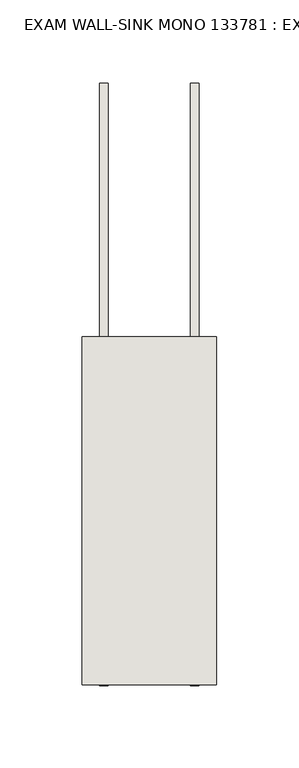
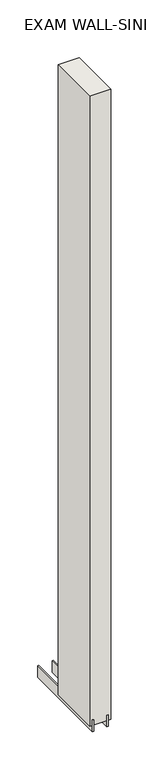
"""IFC4 building model written with IfcOpenShell, lengths in millimetres: wall geometry, EXAM WALL-SINK MONO 133781 : EXAM WALL-SINK MONO 133781."""

from ifc_helpers import new_model, si_unit, frame, origin, place, context, project, spatial, polyline, outline, extrude, source, transform, mapped, element, save


def exam_wall_sink_mono_133781_exam_wall_sink_mono_133781_f34c0f93(model_context):
    return source(origin(), model_context, "Body", "SweptSolid", [
        extrude(outline(polyline([(72290.342211, -45369.5457352), (72290.342211, -45367.0057352), (72292.882211, -45367.0057352), (72292.882211, -45369.5457352), (72290.342211, -45369.5457352)])), frame((0.0, 0.0, 4419.6), z_axis=(0.0, 0.0, 1.0), x_axis=(1.0, 0.0, 0.0)), (0.0, 0.0, 1.0), 2.54),
        extrude(outline(polyline([(72316.6959556, -45578.1419906), (72316.6959556, -45213.0169906), (72321.774711, -45213.0169906), (72321.774711, -45578.1419906), (72316.6959556, -45578.1419906)])), frame((0.0, 0.0, 4418.6602), z_axis=(0.0, 0.0, 1.0), x_axis=(1.0, 0.0, 0.0)), (0.0, 0.0, 1.0), 47.625),
        extrude(outline(polyline([(72316.6959556, -45578.1419906), (72316.6959556, -45213.0169906), (72321.774711, -45213.0169906), (72321.774711, -45578.1419906), (72316.6959556, -45578.1419906)])), frame((0.0, 0.0, 4418.6602), z_axis=(0.0, 0.0, 1.0), x_axis=(1.0, 0.0, 0.0)), (0.0, 0.0, 1.0), 47.625),
        extrude(outline(polyline([(72266.5284664, -45213.0169906), (72266.5284664, -45578.1419906), (72261.449711, -45578.1419906), (72261.449711, -45213.0169906), (72266.5284664, -45213.0169906)])), frame((0.0, 0.0, 4418.6602), z_axis=(0.0, 0.0, 1.0), x_axis=(1.0, 0.0, 0.0)), (0.0, 0.0, 1.0), 47.625),
        extrude(outline(polyline([(72266.5284664, -45213.0169906), (72266.5284664, -45578.1419906), (72261.449711, -45578.1419906), (72261.449711, -45213.0169906), (72266.5284664, -45213.0169906)])), frame((0.0, 0.0, 4418.6602), z_axis=(0.0, 0.0, 1.0), x_axis=(1.0, 0.0, 0.0)), (0.0, 0.0, 1.0), 47.625),
        extrude(outline(polyline([(72332.2670954, -45578.1419906), (72250.9573266, -45578.1419906), (72250.9573266, -45367.0168858), (72332.2670954, -45367.0168858), (72332.2670954, -45578.1419906)])), frame((0.0, 0.0, 4445.0), z_axis=(0.0, 0.0, 1.0), x_axis=(1.0, 0.0, 0.0)), (0.0, 0.0, 1.0), 2562.4536762),
    ])


if __name__ == "__main__":
    model = new_model("IFC4")
    model_context = context("Model", 3, world=origin())
    ifc_project = project(units=[si_unit("LENGTHUNIT", "METRE", prefix="MILLI")], contexts=[model_context])
    site = spatial("IfcSite", under=ifc_project)
    building = spatial("IfcBuilding", under=site)
    placement = place(None, origin())
    exam_wall_sink_mono_133781_exam_wall_sink_mono_133781_shape = exam_wall_sink_mono_133781_exam_wall_sink_mono_133781_f34c0f93(model_context)
    element("IfcWall", 1, ObjectType="EXAM WALL-SINK MONO 133781 : EXAM WALL-SINK MONO 133781", at=placement, inside=building, context=model_context, shape_type="MappedRepresentation", body=[
        mapped(exam_wall_sink_mono_133781_exam_wall_sink_mono_133781_shape, transform((0.0, 0.0, 0.0), x_axis=(1.0, 0.0, 0.0), y_axis=(0.0, 1.0, 0.0), z_axis=(0.0, 0.0, 1.0))),
    ])
    save(model, "model.ifc")
